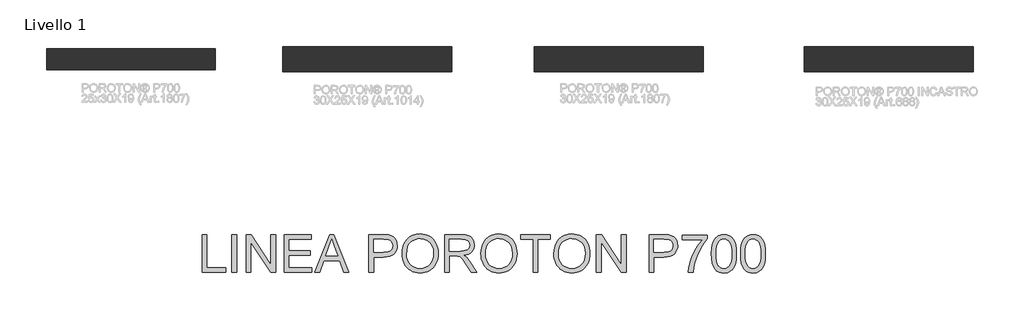
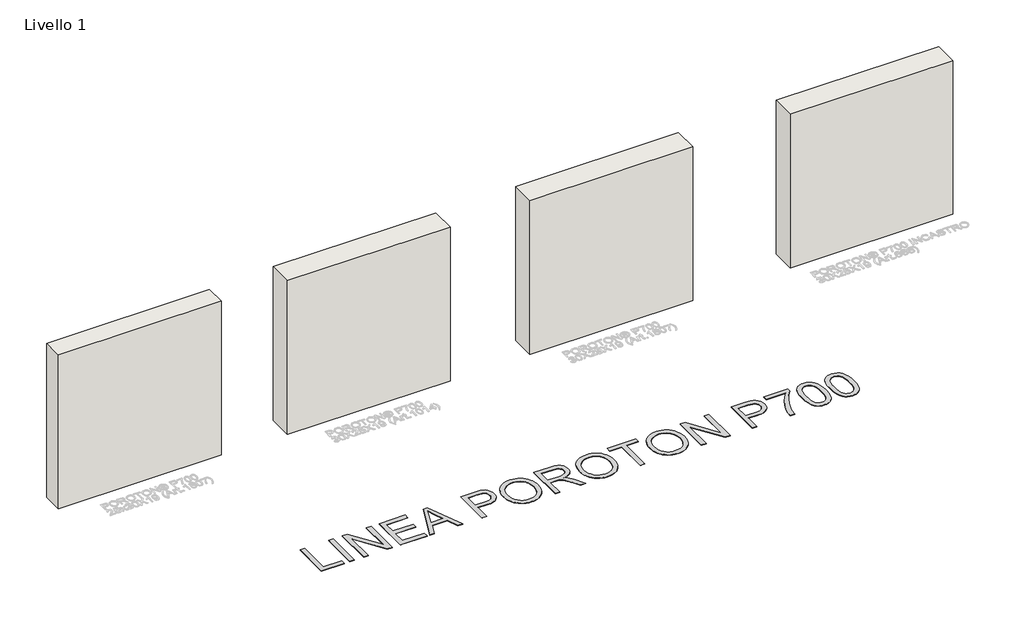
# One storey, part 1 of 5: 4 walls, 1 proxy.
"""IFC4 building model written with IfcOpenShell, lengths in millimetres."""

from ifc_helpers import new_model, si_unit, origin, origin_with_axes, place, context, project, spatial, polyline, outline, extrude, element, save

model = new_model("IFC4")

# Units and contexts
model_context = context("Model", 3, world=origin())
ifc_project = project(units=[si_unit("LENGTHUNIT", "METRE", prefix="MILLI")], contexts=[model_context])

# Site, building, storey
site = spatial("IfcSite", under=ifc_project)
building = spatial("IfcBuilding", under=site)
storey = spatial("IfcBuildingStorey", under=building, Name="Livello 1", Elevation=0.0)

# Proxy
placement = place(None, origin())
element("IfcBuildingElementProxy", 1, Name="450mm", ObjectType="450mm", at=placement, inside=storey, context=model_context, shape_type="SweptSolid", body=[
    extrude(outline(polyline([(-3533.2504422, -1960.675424), (-3533.2504422, -1511.0192812), (-3477.0434244, -1511.0192812), (-3477.0434244, -1904.4684062), (-3252.215353, -1904.4684062), (-3252.215353, -1960.675424), (-3533.2504422, -1960.675424)])), origin_with_axes(), (0.0, 0.0, 1.0), 5.0),
    extrude(outline(polyline([(-3181.9565807, -1960.675424), (-3181.9565807, -1511.0192812), (-3125.7495628, -1511.0192812), (-3125.7495628, -1960.675424), (-3181.9565807, -1960.675424)])), origin_with_axes(), (0.0, 0.0, 1.0), 5.0),
    extrude(outline(polyline([(-3013.3355271, -1960.675424), (-3013.3355271, -1511.0192812), (-2953.1764533, -1511.0192812), (-2718.2486834, -1867.2532127), (-2718.2486834, -1511.0192812), (-2662.0416655, -1511.0192812), (-2662.0416655, -1960.675424), (-2722.2007393, -1960.675424), (-2957.1285093, -1604.3317132), (-2957.1285093, -1960.675424), (-3013.3355271, -1960.675424)])), origin_with_axes(), (0.0, 0.0, 1.0), 5.0),
    extrude(outline(polyline([(-2563.6793843, -1960.675424), (-2563.6793843, -1511.0192812), (-2240.4890316, -1511.0192812), (-2240.4890316, -1567.2262991), (-2507.4723664, -1567.2262991), (-2507.4723664, -1700.7179665), (-2254.5407861, -1700.7179665), (-2254.5407861, -1756.9249843), (-2507.4723664, -1756.9249843), (-2507.4723664, -1904.4684062), (-2233.4631544, -1904.4684062), (-2233.4631544, -1960.675424), (-2563.6793843, -1960.675424)])), origin_with_axes(), (0.0, 0.0, 1.0), 5.0),
    extrude(outline(polyline([(-2201.5173689, -1960.675424), (-2022.0281615, -1511.0192812), (-1974.1643728, -1511.0192812), (-1794.6751654, -1960.675424), (-1854.0657839, -1960.675424), (-1905.5522905, -1820.1578794), (-2090.7500231, -1820.1578794), (-2142.1267504, -1960.675424), (-2201.5173689, -1960.675424)]), holes=[polyline([(-2070.1115088, -1763.9508616), (-1926.0810255, -1763.9508616), (-1966.5895989, -1653.4030745), (-1998.0962672, -1567.2262991), (-2026.0899968, -1643.7424933), (-2070.1115088, -1763.9508616)])]), origin_with_axes(), (0.0, 0.0, 1.0), 5.0),
    extrude(outline(polyline([(-1558.9789402, -1960.675424), (-1558.9789402, -1511.0192812), (-1392.3339146, -1511.0192812), (-1325.1489636, -1515.3006752), (-1295.1929284, -1523.300844), (-1270.533746, -1536.3234172), (-1250.6774094, -1554.9584588), (-1235.1299115, -1579.7960326), (-1225.0851027, -1609.0933917), (-1221.7368331, -1641.1077893), (-1223.9976012, -1668.7104301), (-1230.7799055, -1694.1037617), (-1242.0837461, -1717.2877844), (-1257.9091229, -1738.2624979), (-1279.6351388, -1755.6487996), (-1308.6408966, -1768.0675865), (-1344.9263963, -1775.5188586), (-1388.491638, -1778.002616), (-1502.7719223, -1778.002616), (-1502.7719223, -1960.675424), (-1558.9789402, -1960.675424)]), holes=[polyline([(-1502.7719223, -1721.7955982), (-1385.198258, -1721.7955982), (-1335.3584414, -1716.6359696), (-1316.7782895, -1710.1864338), (-1302.4246419, -1701.1570838), (-1291.7142959, -1689.7880618), (-1284.0640487, -1676.31951), (-1279.4739004, -1660.7514285), (-1277.9438509, -1643.0838173), (-1281.5528465, -1617.834571), (-1292.3798331, -1596.5373807), (-1309.0800139, -1580.5095982), (-1330.3085922, -1571.0685757), (-1386.51561, -1567.2262991), (-1502.7719223, -1567.2262991), (-1502.7719223, -1721.7955982)])]), origin_with_axes(), (0.0, 0.0, 1.0), 5.0),
    extrude(outline(polyline([(-1165.5298152, -1741.7754366), (-1161.7835955, -1689.0333289), (-1150.5449364, -1642.3428068), (-1131.813838, -1601.7038705), (-1105.5903001, -1567.1165198), (-1073.4455395, -1539.5001566), (-1036.9507729, -1519.7741829), (-996.1060003, -1507.9385987), (-950.9112217, -1503.993404), (-920.6601546, -1505.8459302), (-891.9322757, -1511.4035089), (-864.727585, -1520.66614), (-839.0460826, -1533.6338236), (-815.6081953, -1549.9154707), (-795.1343499, -1569.1199926), (-777.6245465, -1591.2473891), (-763.0787851, -1616.2976604), (-751.6480121, -1643.7013261), (-743.4831743, -1672.8889059), (-738.5842717, -1703.8603999), (-736.9513041, -1736.615808), (-738.6700368, -1769.8034722), (-743.8262347, -1801.1934999), (-752.4198981, -1830.785891), (-764.4510267, -1858.5806455), (-779.6348805, -1883.8436142), (-797.6867194, -1905.8406478), (-818.6065433, -1924.5717463), (-842.3943522, -1940.0369097), (-868.1135913, -1952.140081), (-894.8277056, -1960.7852034), (-922.536695, -1965.9722768), (-951.2405597, -1967.7013013), (-982.0199398, -1965.7904548), (-1011.1251851, -1960.0579153), (-1038.5562956, -1950.5036828), (-1064.3132714, -1937.1277574), (-1087.7237138, -1920.4481602), (-1108.1152247, -1900.9829124), (-1125.487804, -1878.7320141), (-1139.8414516, -1853.6954653), (-1151.0801107, -1826.8784329), (-1159.1077243, -1799.286084), (-1163.9242925, -1770.9184185), (-1165.5298152, -1741.7754366)]), holes=[polyline([(-1109.3227974, -1742.3243332), (-1106.5131326, -1779.5875551), (-1098.0841383, -1812.66544), (-1084.0358144, -1841.5579879), (-1064.368161, -1866.2651988), (-1040.4602809, -1886.0529233), (-1013.691277, -1900.1870123), (-984.0611492, -1908.6674656), (-951.5698977, -1911.4942834), (-918.5228882, -1908.6400208), (-888.5428388, -1900.0772329), (-861.6297495, -1885.8059198), (-837.7836203, -1865.8260814), (-818.2600523, -1840.5974187), (-804.3146465, -1810.5796327), (-795.9474031, -1775.7727234), (-793.158322, -1736.1766906), (-797.9337229, -1686.4192085), (-812.2599257, -1643.4131553), (-835.7664251, -1608.2426019), (-868.0827159, -1581.9916192), (-907.0681011, -1565.6482212), (-950.5818837, -1560.2004219), (-981.9444665, -1562.824834), (-1011.0428506, -1570.6980705), (-1037.877036, -1583.8201312), (-1062.4470227, -1602.1910162), (-1082.9551741, -1626.6958215), (-1097.6038537, -1658.2196427), (-1106.3930615, -1696.7624799), (-1109.3227974, -1742.3243332)])]), origin_with_axes(), (0.0, 0.0, 1.0), 5.0),
    extrude(outline(polyline([(-659.6666546, -1960.675424), (-659.6666546, -1511.0192812), (-465.906134, -1511.0192812), (-413.8295635, -1514.0519353), (-375.9419717, -1523.1498974), (-348.2501352, -1539.9461351), (-326.760831, -1566.0736161), (-312.9698025, -1598.4722414), (-308.372793, -1634.0819121), (-310.2767783, -1657.176739), (-315.9887341, -1678.3778725), (-325.5086605, -1697.6853124), (-338.8365575, -1715.0990589), (-356.1439553, -1730.0633541), (-377.6023841, -1742.0224401), (-403.2118438, -1750.9763168), (-432.9723345, -1756.9249843), (-401.026549, -1780.966658), (-355.4681263, -1838.8203658), (-280.4888427, -1960.675424), (-345.8075451, -1960.675424), (-404.3199289, -1867.4727714), (-446.5849716, -1805.776787), (-462.2971385, -1787.786699), (-476.2802809, -1776.6303744), (-503.0115482, -1765.9268895), (-535.6160097, -1763.9508616), (-603.4596367, -1763.9508616), (-603.4596367, -1960.675424), (-659.6666546, -1960.675424)]), holes=[polyline([(-603.4596367, -1707.7438437), (-477.6525225, -1707.7438437), (-441.5214, -1705.7540933), (-413.4865031, -1699.7848422), (-392.3814266, -1689.4381401), (-377.039765, -1674.3160372), (-367.6947994, -1656.024056), (-364.5798108, -1636.1677194), (-366.0652624, -1621.7934882), (-370.5216172, -1608.7503313), (-388.3470362, -1586.6572408), (-401.9562427, -1578.1562038), (-419.016637, -1572.0840345), (-463.4909887, -1567.2262991), (-603.4596367, -1567.2262991), (-603.4596367, -1707.7438437)])]), origin_with_axes(), (0.0, 0.0, 1.0), 5.0),
    extrude(outline(polyline([(-231.0881434, -1741.7754366), (-227.3419237, -1689.0333289), (-216.1032646, -1642.3428068), (-197.3721662, -1601.7038705), (-171.1486283, -1567.1165198), (-139.0038677, -1539.5001566), (-102.5091011, -1519.7741829), (-61.6643285, -1507.9385987), (-16.4695499, -1503.993404), (13.7815172, -1505.8459302), (42.5093961, -1511.4035089), (69.7140868, -1520.66614), (95.3955892, -1533.6338236), (118.8334765, -1549.9154707), (139.3073219, -1569.1199926), (156.8171253, -1591.2473891), (171.3628867, -1616.2976604), (182.7936597, -1643.7013261), (190.9584975, -1672.8889059), (195.8574001, -1703.8603999), (197.4903677, -1736.615808), (195.771635, -1769.8034722), (190.615437, -1801.1934999), (182.0217737, -1830.785891), (169.9906451, -1858.5806455), (154.8067913, -1883.8436142), (136.7549524, -1905.8406478), (115.8351285, -1924.5717463), (92.0473196, -1940.0369097), (66.3280805, -1952.140081), (39.6139662, -1960.7852034), (11.9049768, -1965.9722768), (-16.7988879, -1967.7013013), (-47.578268, -1965.7904548), (-76.6835133, -1960.0579153), (-104.1146239, -1950.5036828), (-129.8715996, -1937.1277574), (-153.2820421, -1920.4481602), (-173.6735529, -1900.9829124), (-191.0461322, -1878.7320141), (-205.3997798, -1853.6954653), (-216.6384389, -1826.8784329), (-224.6660525, -1799.286084), (-229.4826207, -1770.9184185), (-231.0881434, -1741.7754366)]), holes=[polyline([(-174.8811256, -1742.3243332), (-172.0714608, -1779.5875551), (-163.6424665, -1812.66544), (-149.5941426, -1841.5579879), (-129.9264892, -1866.2651988), (-106.0186091, -1886.0529233), (-79.2496052, -1900.1870123), (-49.6194775, -1908.6674656), (-17.1282259, -1911.4942834), (15.9187836, -1908.6400208), (45.898833, -1900.0772329), (72.8119223, -1885.8059198), (96.6580515, -1865.8260814), (116.1816195, -1840.5974187), (130.1270253, -1810.5796327), (138.4942687, -1775.7727234), (141.2833498, -1736.1766906), (136.5079489, -1686.4192085), (122.1817461, -1643.4131553), (98.6752467, -1608.2426019), (66.3589559, -1581.9916192), (27.3735707, -1565.6482212), (-16.1402119, -1560.2004219), (-47.5027947, -1562.824834), (-76.6011788, -1570.6980705), (-103.4353642, -1583.8201312), (-128.0053509, -1602.1910162), (-148.5135023, -1626.6958215), (-163.1621819, -1658.2196427), (-171.9513897, -1696.7624799), (-174.8811256, -1742.3243332)])]), origin_with_axes(), (0.0, 0.0, 1.0), 5.0),
    extrude(outline(polyline([(387.1890529, -1960.675424), (387.1890529, -1567.2262991), (239.6456311, -1567.2262991), (239.6456311, -1511.0192812), (590.9394927, -1511.0192812), (590.9394927, -1567.2262991), (443.3960708, -1567.2262991), (443.3960708, -1960.675424), (387.1890529, -1960.675424)])), origin_with_axes(), (0.0, 0.0, 1.0), 5.0),
    extrude(outline(polyline([(633.094756, -1741.7754366), (636.8409757, -1689.0333289), (648.0796348, -1642.3428068), (666.8107333, -1601.7038705), (693.0342712, -1567.1165198), (725.1790318, -1539.5001566), (761.6737984, -1519.7741829), (802.518571, -1507.9385987), (847.7133496, -1503.993404), (877.9644167, -1505.8459302), (906.6922956, -1511.4035089), (933.8969862, -1520.66614), (959.5784886, -1533.6338236), (983.016376, -1549.9154707), (1003.4902213, -1569.1199926), (1021.0000248, -1591.2473891), (1035.5457862, -1616.2976604), (1046.9765591, -1643.7013261), (1055.1413969, -1672.8889059), (1060.0402996, -1703.8603999), (1061.6732672, -1736.615808), (1059.9545345, -1769.8034722), (1054.7983365, -1801.1934999), (1046.2046732, -1830.785891), (1034.1735446, -1858.5806455), (1018.9896907, -1883.8436142), (1000.9378519, -1905.8406478), (980.018028, -1924.5717463), (956.230219, -1940.0369097), (930.51098, -1952.140081), (903.7968657, -1960.7852034), (876.0878763, -1965.9722768), (847.3840116, -1967.7013013), (816.6046315, -1965.7904548), (787.4993861, -1960.0579153), (760.0682756, -1950.5036828), (734.3112999, -1937.1277574), (710.9008574, -1920.4481602), (690.5093465, -1900.9829124), (673.1367673, -1878.7320141), (658.7831197, -1853.6954653), (647.5444606, -1826.8784329), (639.516847, -1799.286084), (634.7002788, -1770.9184185), (633.094756, -1741.7754366)]), holes=[polyline([(689.3017739, -1742.3243332), (692.1114387, -1779.5875551), (700.540433, -1812.66544), (714.5887568, -1841.5579879), (734.2564102, -1866.2651988), (758.1642903, -1886.0529233), (784.9332943, -1900.1870123), (814.563422, -1908.6674656), (847.0546736, -1911.4942834), (880.1016831, -1908.6400208), (910.0817325, -1900.0772329), (936.9948217, -1885.8059198), (960.840951, -1865.8260814), (980.364519, -1840.5974187), (994.3099247, -1810.5796327), (1002.6771682, -1775.7727234), (1005.4662493, -1736.1766906), (1000.6908484, -1686.4192085), (986.3646456, -1643.4131553), (962.8581462, -1608.2426019), (930.5418554, -1581.9916192), (891.5564702, -1565.6482212), (848.0426876, -1560.2004219), (816.6801048, -1562.824834), (787.5817206, -1570.6980705), (760.7475352, -1583.8201312), (736.1775486, -1602.1910162), (715.6693971, -1626.6958215), (701.0207176, -1658.2196427), (692.2315098, -1696.7624799), (689.3017739, -1742.3243332)])]), origin_with_axes(), (0.0, 0.0, 1.0), 5.0),
    extrude(outline(polyline([(1138.9579167, -1960.675424), (1138.9579167, -1511.0192812), (1199.1169905, -1511.0192812), (1434.0447604, -1867.2532127), (1434.0447604, -1511.0192812), (1490.2517783, -1511.0192812), (1490.2517783, -1960.675424), (1430.0927045, -1960.675424), (1195.1649346, -1604.3317132), (1195.1649346, -1960.675424), (1138.9579167, -1960.675424)])), origin_with_axes(), (0.0, 0.0, 1.0), 5.0),
    extrude(outline(polyline([(1764.2609903, -1960.675424), (1764.2609903, -1511.0192812), (1930.9060159, -1511.0192812), (1998.0909669, -1515.3006752), (2028.0470021, -1523.300844), (2052.7061845, -1536.3234172), (2072.5625211, -1554.9584588), (2088.110019, -1579.7960326), (2098.1548278, -1609.0933917), (2101.5030974, -1641.1077893), (2099.2423293, -1668.7104301), (2092.460025, -1694.1037617), (2081.1561844, -1717.2877844), (2065.3308076, -1738.2624979), (2043.6047918, -1755.6487996), (2014.5990339, -1768.0675865), (1978.3135342, -1775.5188586), (1934.7482925, -1778.002616), (1820.4680082, -1778.002616), (1820.4680082, -1960.675424), (1764.2609903, -1960.675424)]), holes=[polyline([(1820.4680082, -1721.7955982), (1938.0416725, -1721.7955982), (1987.8814891, -1716.6359696), (2006.461641, -1710.1864338), (2020.8152886, -1701.1570838), (2031.5256347, -1689.7880618), (2039.1758818, -1676.31951), (2043.7660301, -1660.7514285), (2045.2960796, -1643.0838173), (2041.6870841, -1617.834571), (2030.8600975, -1596.5373807), (2014.1599166, -1580.5095982), (1992.9313383, -1571.0685757), (1936.7243205, -1567.2262991), (1820.4680082, -1567.2262991), (1820.4680082, -1721.7955982)])]), origin_with_axes(), (0.0, 0.0, 1.0), 5.0),
    extrude(outline(polyline([(2157.7101153, -1574.2521763), (2157.7101153, -1518.0451585), (2452.796959, -1518.0451585), (2452.796959, -1563.4938018), (2410.7377525, -1616.7230553), (2369.0902186, -1684.4157357), (2332.3553097, -1760.3967557), (2305.0339785, -1838.4910278), (2291.6409, -1896.9210771), (2284.1759055, -1960.675424), (2227.9688876, -1960.675424), (2234.0479181, -1902.7393817), (2250.3089816, -1833.8802959), (2276.3129608, -1760.8907627), (2311.6207384, -1690.5633783), (2352.8428775, -1626.9874228), (2396.5899412, -1574.2521763), (2157.7101153, -1574.2521763)])), origin_with_axes(), (0.0, 0.0, 1.0), 5.0),
    extrude(outline(polyline([(2501.9780996, -1739.4700706), (2506.108547, -1667.4959962), (2518.4998891, -1610.0951281), (2527.7625202, -1586.6400878), (2539.0286241, -1566.3892317), (2552.2982008, -1549.3425598), (2567.5712503, -1535.5000722), (2584.8992317, -1524.7897262), (2604.3336041, -1517.139479), (2625.8743673, -1512.5493307), (2649.5215215, -1511.0192812), (2684.1569007, -1514.6419992), (2715.1695619, -1525.510153), (2741.104929, -1543.1983478), (2760.5084259, -1567.2811888), (2775.1639667, -1597.5528395), (2786.8554655, -1633.8074638), (2794.5125739, -1679.846171), (2797.0649434, -1739.4700706), (2792.9756632, -1811.0324725), (2780.7078229, -1868.2961164), (2771.5172345, -1891.7614485), (2760.3025896, -1912.0431801), (2747.0638884, -1929.141311), (2731.8011306, -1943.0558413), (2714.4525656, -1953.83823), (2694.9564424, -1961.5399363), (2673.312761, -1966.16096), (2649.5215215, -1967.7013013), (2618.5637499, -1965.0254301), (2591.118917, -1956.9978164), (2567.1870227, -1943.6184604), (2546.768067, -1924.8873619), (2527.1724563, -1891.0272993), (2513.1755915, -1848.8377298), (2504.7774726, -1798.3186536), (2501.9780996, -1739.4700706)]), holes=[polyline([(2558.1851175, -1739.3602913), (2559.8318075, -1788.2223857), (2564.7718774, -1827.7738206), (2573.0053273, -1858.0145958), (2584.5321571, -1878.9447116), (2598.4741322, -1893.1851493), (2613.953018, -1903.3568905), (2630.9688144, -1909.4599352), (2649.5215215, -1911.4942834), (2668.0742286, -1909.453074), (2685.090025, -1903.3294456), (2700.5689108, -1893.1233984), (2714.5108859, -1878.8349322), (2726.0377157, -1857.8705105), (2734.2711656, -1827.6365964), (2739.2112355, -1788.13319), (2740.8579255, -1739.3602913), (2739.2661252, -1691.7915346), (2734.4907243, -1652.9365123), (2726.5317227, -1622.7952246), (2715.3891205, -1601.3676713), (2701.6804265, -1586.4308209), (2686.0231493, -1575.7616421), (2668.417289, -1569.3601348), (2648.8628455, -1567.2262991), (2630.4061954, -1569.1062701), (2613.6785697, -1574.7461833), (2598.6799685, -1584.1460386), (2585.4103918, -1597.305836), (2573.4993343, -1620.633944), (2564.9914361, -1652.0857225), (2559.8866971, -1691.6611716), (2558.1851175, -1739.3602913)])]), origin_with_axes(), (0.0, 0.0, 1.0), 5.0),
    extrude(outline(polyline([(2846.246084, -1739.4700706), (2850.3765313, -1667.4959962), (2862.7678734, -1610.0951281), (2872.0305045, -1586.6400878), (2883.2966084, -1566.3892317), (2896.5661852, -1549.3425598), (2911.8392347, -1535.5000722), (2929.1672161, -1524.7897262), (2948.6015884, -1517.139479), (2970.1423517, -1512.5493307), (2993.7895058, -1511.0192812), (3028.424885, -1514.6419992), (3059.4375462, -1525.510153), (3085.3729133, -1543.1983478), (3104.7764102, -1567.2811888), (3119.431951, -1597.5528395), (3131.1234498, -1633.8074638), (3138.7805582, -1679.846171), (3141.3329277, -1739.4700706), (3137.2436476, -1811.0324725), (3124.9758073, -1868.2961164), (3115.7852188, -1891.7614485), (3104.570574, -1912.0431801), (3091.3318727, -1929.141311), (3076.069115, -1943.0558413), (3058.72055, -1953.83823), (3039.2244268, -1961.5399363), (3017.5807454, -1966.16096), (2993.7895058, -1967.7013013), (2962.8317343, -1965.0254301), (2935.3869014, -1956.9978164), (2911.455007, -1943.6184604), (2891.0360513, -1924.8873619), (2871.4404406, -1891.0272993), (2857.4435758, -1848.8377298), (2849.0454569, -1798.3186536), (2846.246084, -1739.4700706)]), holes=[polyline([(2902.4531018, -1739.3602913), (2904.0997918, -1788.2223857), (2909.0398617, -1827.7738206), (2917.2733116, -1858.0145958), (2928.8001414, -1878.9447116), (2942.7421166, -1893.1851493), (2958.2210024, -1903.3568905), (2975.2367988, -1909.4599352), (2993.7895058, -1911.4942834), (3012.3422129, -1909.453074), (3029.3580093, -1903.3294456), (3044.8368951, -1893.1233984), (3058.7788702, -1878.8349322), (3070.3057001, -1857.8705105), (3078.5391499, -1827.6365964), (3083.4792199, -1788.13319), (3085.1259098, -1739.3602913), (3083.5341095, -1691.7915346), (3078.7587086, -1652.9365123), (3070.7997071, -1622.7952246), (3059.6571049, -1601.3676713), (3045.9484108, -1586.4308209), (3030.2911336, -1575.7616421), (3012.6852733, -1569.3601348), (2993.1308298, -1567.2262991), (2974.6741797, -1569.1062701), (2957.946554, -1574.7461833), (2942.9479528, -1584.1460386), (2929.6783761, -1597.305836), (2917.7673186, -1620.633944), (2909.2594204, -1652.0857225), (2904.1546815, -1691.6611716), (2902.4531018, -1739.3602913)])]), origin_with_axes(), (0.0, 0.0, 1.0), 5.0),
])

# Walls
element("IfcWall", 2, at=placement, inside=storey, context=model_context, shape_type="SweptSolid", body=[
    extrude(outline(polyline([(-3378.1660082, 441.6593178), (-5378.1660082, 441.6593178), (-5378.1660082, 691.6593178), (-3378.1660082, 691.6593178), (-3378.1660082, 441.6593178)])), origin_with_axes(), (0.0, 0.0, 1.0), 2000.0),
])
element("IfcWall", 3, at=placement, inside=storey, context=model_context, shape_type="SweptSolid", body=[
    extrude(outline(polyline([(-578.1660082, 416.6593178), (-2578.1660082, 416.6593178), (-2578.1660082, 716.6593178), (-578.1660082, 716.6593178), (-578.1660082, 416.6593178)])), origin_with_axes(), (0.0, 0.0, 1.0), 2000.0),
])
element("IfcWall", 4, at=placement, inside=storey, context=model_context, shape_type="SweptSolid", body=[
    extrude(outline(polyline([(2401.8339918, 416.6593178), (401.8339918, 416.6593178), (401.8339918, 716.6593178), (2401.8339918, 716.6593178), (2401.8339918, 416.6593178)])), origin_with_axes(), (0.0, 0.0, 1.0), 2000.0),
])
element("IfcWall", 5, at=placement, inside=storey, context=model_context, shape_type="SweptSolid", body=[
    extrude(outline(polyline([(5601.8339918, 416.6593178), (3601.8339918, 416.6593178), (3601.8339918, 716.6593178), (5601.8339918, 716.6593178), (5601.8339918, 416.6593178)])), origin_with_axes(), (0.0, 0.0, 1.0), 2000.0),
])

save(model, "model.ifc")
